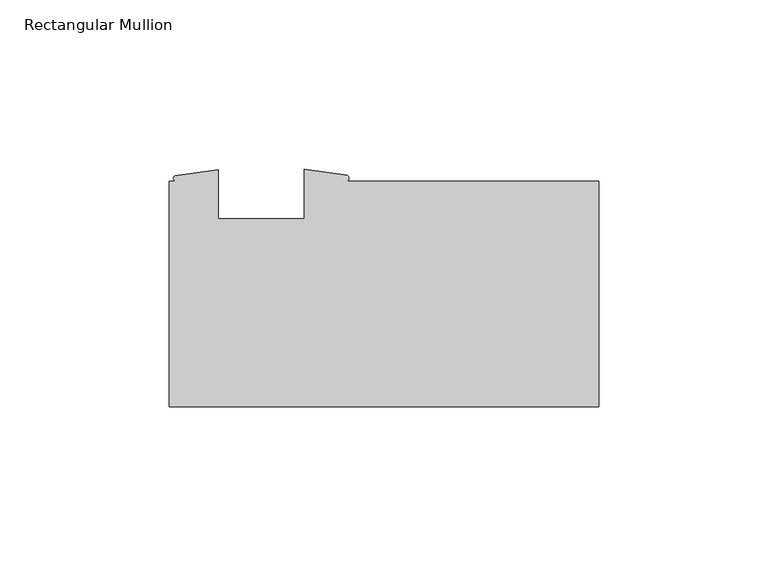
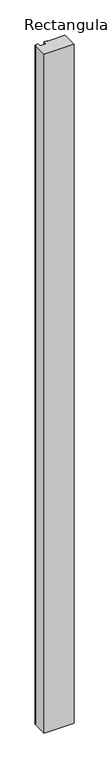
"""IFC4 building model written with IfcOpenShell, lengths in millimetres: member geometry, Rectangular Mullion."""

from ifc_helpers import new_model, si_unit, point, frame, frame_2d, origin, place, context, project, spatial, polyline, circle_curve, trimmed, segment, composite_curve, outline, extrude, source, transform, mapped, element, save


def rectangular_mullion_3aae3e63(model_context):
    return source(origin(), model_context, "Body", "SweptSolid", [
        extrude(outline(composite_curve([segment(polyline([(-127.0, -33.3375), (-127.0, 33.3375), (-125.2677625, 33.3375)]), True, "CONTINUOUS"), segment(trimmed(circle_curve(frame_2d((-124.8247027, 34.1304481)), 0.9083329), [point((-125.2677625, 33.3375))], [point((-125.2677625, 34.9233963))], False, "CARTESIAN"), True, "CONTINUOUS"), segment(polyline([(-125.2677625, 34.9233963), (-112.496475, 36.7335), (-112.496475, 22.225), (-87.096475, 22.225), (-87.096475, 36.8570217), (-74.3234222, 35.0009044)]), True, "CONTINUOUS"), segment(trimmed(circle_curve(frame_2d((-74.8709358, 34.1692022)), 0.9957408), [point((-74.3234222, 35.0009044))], [point((-74.3234222, 33.3375))], False, "CARTESIAN"), True, "CONTINUOUS"), segment(polyline([(-74.3234222, 33.3375), (0.0, 33.3375), (0.0, -33.3375), (-127.0, -33.3375)]), True, "CONTINUOUS")], self_intersect=False)), frame((0.0, 0.0, -3048.0), z_axis=(0.0, 0.0, 1.0), x_axis=(1.0, 0.0, 0.0)), (0.0, 0.0, 1.0), 3048.0),
    ])


if __name__ == "__main__":
    model = new_model("IFC4")
    model_context = context("Model", 3, world=origin())
    ifc_project = project(units=[si_unit("LENGTHUNIT", "METRE", prefix="MILLI")], contexts=[model_context])
    site = spatial("IfcSite", under=ifc_project)
    building = spatial("IfcBuilding", under=site)
    placement = place(None, origin())
    rectangular_mullion_shape = rectangular_mullion_3aae3e63(model_context)
    element("IfcMember", 1, ObjectType="Rectangular Mullion", at=placement, inside=building, context=model_context, shape_type="MappedRepresentation", body=[
        mapped(rectangular_mullion_shape, transform((0.0, 0.0, 0.0), x_axis=(1.0, 0.0, 0.0), y_axis=(0.0, 1.0, 0.0), z_axis=(0.0, 0.0, 1.0))),
    ])
    save(model, "model.ifc")
